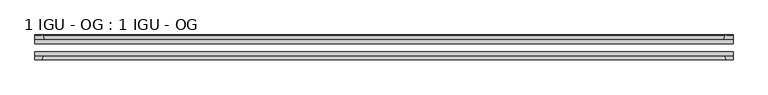
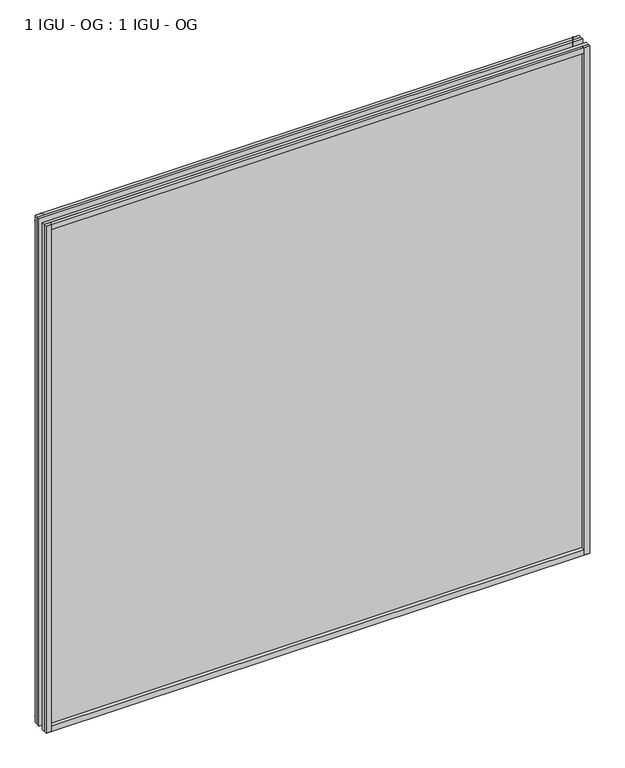
"""IFC4 building model written with IfcOpenShell, lengths in millimetres: plate geometry, 1 IGU - OG : 1 IGU - OG."""

from ifc_helpers import new_model, si_unit, point, frame, frame_2d, origin, place, context, project, spatial, polyline, circle_curve, trimmed, segment, composite_curve, outline, extrude, source, transform, mapped, element, save


def plate_1_igu_og_1_igu_og_74555e75(model_context):
    return source(origin(), model_context, "Body", "SweptSolid", [
        extrude(outline(polyline([(577.8980842, -31.75), (577.8980842, -38.1), (-539.7980842, -38.1), (-539.7980842, -31.75), (577.8980842, -31.75)])), frame((0.0, 0.0, -11.1125), z_axis=(0.0, 0.0, 1.0), x_axis=(1.0, 0.0, 0.0)), (0.0, 0.0, 1.0), 1101.725),
        extrude(outline(polyline([(-539.7980842, -12.7), (577.8980842, -12.7), (577.8980842, -19.05), (-539.7980842, -19.05), (-539.7980842, -12.7)])), frame((0.0, 0.0, -11.1125), z_axis=(0.0, 0.0, 1.0), x_axis=(1.0, 0.0, 0.0)), (0.0, 0.0, 1.0), 1101.725),
        extrude(outline(composite_curve([segment(polyline([(-524.4622933, -12.7), (-539.7980842, -12.7), (-539.7980842, -6.35), (-528.6855842, -6.35), (-528.6855842, -4.7751661), (-527.7561703, -4.7751661)]), True, "CONTINUOUS"), segment(trimmed(circle_curve(frame_2d((-527.7561703, -5.5371661)), 0.762), [point((-527.7561703, -4.7751661))], [point((-527.0139603, -5.364631))], False, "CARTESIAN"), True, "CONTINUOUS"), segment(trimmed(circle_curve(frame_2d((-491.3847421, 2.9177851)), 36.5792237), [point((-527.0139603, -5.364631))], [point((-524.4622933, -12.7))], True, "CARTESIAN"), True, "CONTINUOUS")], self_intersect=False)), frame((0.0, 0.0, -11.1125), z_axis=(0.0, 0.0, 1.0), x_axis=(1.0, 0.0, 0.0)), (0.0, 0.0, 1.0), 1101.725),
        extrude(outline(polyline([(-539.7980842, -38.1), (-526.5803072, -38.1), (-528.6855842, -44.45), (-539.7980842, -44.45), (-539.7980842, -38.1)])), frame((0.0, 0.0, -11.1125), z_axis=(0.0, 0.0, 1.0), x_axis=(1.0, 0.0, 0.0)), (0.0, 0.0, 1.0), 1101.725),
        extrude(outline(composite_curve([segment(trimmed(circle_curve(frame_2d((565.8561703, -5.5371661)), 0.762), [point((565.1139603, -5.364631))], [point((565.8561703, -4.7751661))], False, "CARTESIAN"), True, "CONTINUOUS"), segment(polyline([(565.8561703, -4.7751661), (566.7855842, -4.7751661), (566.7855842, -6.35), (577.8980842, -6.35), (577.8980842, -12.7), (562.5622933, -12.7)]), True, "CONTINUOUS"), segment(trimmed(circle_curve(frame_2d((529.4847421, 2.9177851)), 36.5792237), [point((562.5622933, -12.7))], [point((565.1139603, -5.364631))], True, "CARTESIAN"), True, "CONTINUOUS")], self_intersect=False)), frame((0.0, 0.0, -11.1125), z_axis=(0.0, 0.0, 1.0), x_axis=(1.0, 0.0, 0.0)), (0.0, 0.0, 1.0), 1101.725),
        extrude(outline(polyline([(564.6803072, -38.1), (577.8980842, -38.1), (577.8980842, -44.45), (566.7855842, -44.45), (564.6803072, -38.1)])), frame((0.0, 0.0, -11.1125), z_axis=(0.0, 0.0, 1.0), x_axis=(1.0, 0.0, 0.0)), (0.0, 0.0, 1.0), 1101.725),
        extrude(outline(composite_curve([segment(polyline([(-12.7, -11.1125), (-12.7, 4.2232909)]), True, "CONTINUOUS"), segment(trimmed(circle_curve(frame_2d((2.9177851, 37.3008421)), 36.5792237), [point((-12.7, 4.2232909))], [point((-5.364631, 1.6716239))], True, "CARTESIAN"), True, "CONTINUOUS"), segment(trimmed(circle_curve(frame_2d((-5.5371661, 0.929414)), 0.762), [point((-5.364631, 1.6716239))], [point((-4.7751661, 0.929414))], False, "CARTESIAN"), True, "CONTINUOUS"), segment(polyline([(-4.7751661, 0.929414), (-4.7751661, 0.0), (-6.35, 0.0), (-6.35, -11.1125), (-12.7, -11.1125)]), True, "CONTINUOUS")], self_intersect=False)), frame((-539.7980842, 0.0, 0.0), z_axis=(1.0, 0.0, 0.0), x_axis=(0.0, 1.0, 0.0)), (0.0, 0.0, 1.0), 1117.6961685),
        extrude(outline(polyline([(-38.1, 2.1052771), (-38.1, -11.1125), (-44.45, -11.1125), (-44.45, 0.0), (-38.1, 2.1052771)])), frame((-539.7980842, 0.0, 0.0), z_axis=(1.0, 0.0, 0.0), x_axis=(0.0, 1.0, 0.0)), (0.0, 0.0, 1.0), 1117.6961685),
        extrude(outline(composite_curve([segment(trimmed(circle_curve(frame_2d((2.9177851, 1042.1991578)), 36.5792237), [point((-5.364631, 1077.8283761))], [point((-12.7, 1075.2767091))], True, "CARTESIAN"), True, "CONTINUOUS"), segment(polyline([(-12.7, 1075.2767091), (-12.7, 1090.6125), (-6.35, 1090.6125), (-6.35, 1079.5), (-4.7751661, 1079.5), (-4.7751661, 1078.570586)]), True, "CONTINUOUS"), segment(trimmed(circle_curve(frame_2d((-5.5371661, 1078.570586)), 0.762), [point((-4.7751661, 1078.570586))], [point((-5.364631, 1077.8283761))], False, "CARTESIAN"), True, "CONTINUOUS")], self_intersect=False)), frame((-539.7980842, 0.0, 0.0), z_axis=(1.0, 0.0, 0.0), x_axis=(0.0, 1.0, 0.0)), (0.0, 0.0, 1.0), 1117.6961685),
        extrude(outline(polyline([(-38.1, 1090.6125), (-38.1, 1077.3947229), (-44.45, 1079.5), (-44.45, 1090.6125), (-38.1, 1090.6125)])), frame((-539.7980842, 0.0, 0.0), z_axis=(1.0, 0.0, 0.0), x_axis=(0.0, 1.0, 0.0)), (0.0, 0.0, 1.0), 1117.6961685),
    ])


if __name__ == "__main__":
    model = new_model("IFC4")
    model_context = context("Model", 3, world=origin())
    ifc_project = project(units=[si_unit("LENGTHUNIT", "METRE", prefix="MILLI")], contexts=[model_context])
    site = spatial("IfcSite", under=ifc_project)
    building = spatial("IfcBuilding", under=site)
    placement = place(None, origin())
    plate_1_igu_og_1_igu_og_shape = plate_1_igu_og_1_igu_og_74555e75(model_context)
    element("IfcPlate", 1, ObjectType="1 IGU - OG : 1 IGU - OG", at=placement, inside=building, context=model_context, shape_type="MappedRepresentation", body=[
        mapped(plate_1_igu_og_1_igu_og_shape, transform((0.0, 0.0, 0.0), x_axis=(1.0, 0.0, 0.0), y_axis=(0.0, 1.0, 0.0), z_axis=(0.0, 0.0, 1.0))),
    ])
    save(model, "model.ifc")
